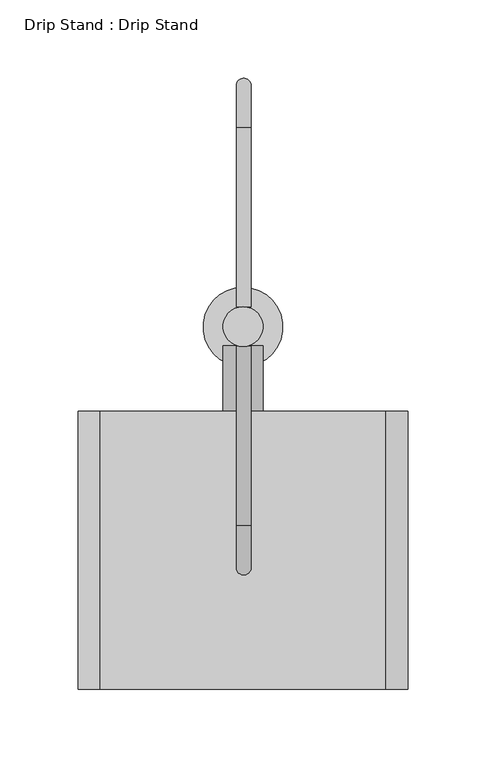
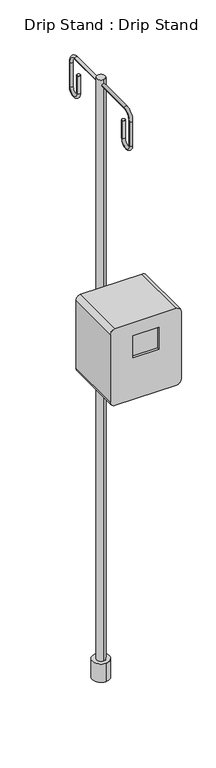
"""IFC4 building model written with IfcOpenShell, lengths in millimetres: proxy geometry, Drip Stand : Drip Stand."""

from ifc_helpers import new_model, si_unit, point, frame, frame_2d, origin, place, context, project, spatial, circle_curve, ellipse_curve, trimmed, segment, composite_curve, outline, extrude, source, transform, mapped, element, save
from ifc_brep_helpers import plane_surface, cylinder_surface, revolved_surface, advanced_brep


def drip_stand_drip_stand_bfd85133(model_context):
    return source(origin(), model_context, "Body", "SolidModel", [
        advanced_brep(
        [(-278.4127905, 321.6624414, 2014.5744227), (-287.8639451, 321.6624414, 2014.5744227), (-278.4127905, 435.9624414, 2014.5744227), (-287.8639451, 435.9624414, 2014.5744227), (-287.8639451, 462.9032098, 1987.6336543), (-278.4127905, 462.9032098, 1987.6336543), (-278.4127905, 462.9032098, 1911.4336543), (-287.8639451, 462.9032098, 1911.4336543), (-287.8639451, 424.8032098, 1911.4336543), (-278.4127905, 424.8032098, 1911.4336543), (-278.4127905, 424.8032098, 1968.5836543), (-287.8639451, 424.8032098, 1968.5836543)],
        [
            (0, 1, circle_curve(frame((-283.1383678, 321.6624414, 2014.5744227), z_axis=(0.0, -1.0, 0.0), x_axis=(-1.0, 0.0, 0.0)), 4.7255773)),
            (1, 0, circle_curve(frame((-283.1383678, 321.6624414, 2014.5744227), z_axis=(0.0, -1.0, 0.0), x_axis=(-1.0, 0.0, 0.0)), 4.7255773)),
            (0, 2),
            (2, 3, circle_curve(frame((-283.1383678, 435.9624414, 2014.5744227), z_axis=(0.0, -1.0, 0.0), x_axis=(-1.0, 0.0, 0.0)), 4.7255773)),
            (3, 1),
            (3, 2, circle_curve(frame((-283.1383678, 435.9624414, 2014.5744227), z_axis=(0.0, -1.0, 0.0), x_axis=(-1.0, 0.0, 0.0)), 4.7255773)),
            (4, 3, circle_curve(frame((-287.8639451, 435.9624414, 1987.6336543), z_axis=(1.0, 0.0, 0.0), x_axis=(0.0, 0.0, 1.0)), 26.9407684)),
            (2, 5, circle_curve(frame((-278.4127905, 435.9624414, 1987.6336543), z_axis=(-1.0, 0.0, 0.0), x_axis=(0.0, 0.0, 1.0)), 26.9407684)),
            (5, 4, circle_curve(frame((-283.1383678, 462.9032098, 1987.6336543), z_axis=(0.0, 0.0, 1.0), x_axis=(-1.0, 0.0, 0.0)), 4.7255773)),
            (4, 5, circle_curve(frame((-283.1383678, 462.9032098, 1987.6336543), z_axis=(0.0, 0.0, 1.0), x_axis=(-1.0, 0.0, 0.0)), 4.7255773)),
            (5, 6),
            (6, 7, circle_curve(frame((-283.1383678, 462.9032098, 1911.4336543), z_axis=(0.0, 0.0, 1.0), x_axis=(-1.0, 0.0, 0.0)), 4.7255773)),
            (7, 4),
            (7, 6, circle_curve(frame((-283.1383678, 462.9032098, 1911.4336543), z_axis=(0.0, 0.0, 1.0), x_axis=(-1.0, 0.0, 0.0)), 4.7255773)),
            (8, 7, circle_curve(frame((-287.8639451, 443.8532098, 1911.4336543), z_axis=(1.0, 0.0, 0.0), x_axis=(0.0, 1.0, 0.0)), 19.05)),
            (6, 9, circle_curve(frame((-278.4127905, 443.8532098, 1911.4336543), z_axis=(-1.0, 0.0, 0.0), x_axis=(0.0, 1.0, 0.0)), 19.05)),
            (9, 8, circle_curve(frame((-283.1383678, 424.8032098, 1911.4336543), z_axis=(0.0, 0.0, -1.0), x_axis=(-1.0, 0.0, 0.0)), 4.7255773)),
            (8, 9, circle_curve(frame((-283.1383678, 424.8032098, 1911.4336543), z_axis=(0.0, 0.0, -1.0), x_axis=(-1.0, 0.0, 0.0)), 4.7255773)),
            (10, 11, circle_curve(frame((-283.1383678, 424.8032098, 1968.5836543), z_axis=(0.0, 0.0, 1.0), x_axis=(-1.0, 0.0, 0.0)), 4.7255773)),
            (11, 10, circle_curve(frame((-283.1383678, 424.8032098, 1968.5836543), z_axis=(0.0, 0.0, 1.0), x_axis=(-1.0, 0.0, 0.0)), 4.7255773)),
            (9, 10),
            (11, 8),
        ],
        [
            plane_surface(frame((-283.1383678, 321.6624414, 2014.5744227), z_axis=(0.0, -1.0, 0.0), x_axis=(-1.0, 0.0, 0.0))),
            cylinder_surface(frame((-283.1383678, 321.6624414, 2014.5744227), z_axis=(0.0, -1.0, 0.0), x_axis=(-1.0, 0.0, 0.0)), 4.7255773),
            revolved_surface(trimmed(ellipse_curve(frame((-283.1383678, 435.9624414, 2014.5744227), z_axis=(0.0, -1.0, 0.0), x_axis=(-1.0, 0.0, 0.0)), 4.7255773, 4.7255773), [point((-278.4127905, 435.9624414, 2014.5744227))], [point((-287.8639451, 435.9624414, 2014.5744227))], True, "CARTESIAN"), (-283.1383678, 435.9624414, 1987.6336543), (-1.0, 0.0, 0.0)),
            revolved_surface(trimmed(ellipse_curve(frame((-283.1383678, 435.9624414, 2014.5744227), z_axis=(0.0, -1.0, 0.0), x_axis=(-1.0, 0.0, 0.0)), 4.7255773, 4.7255773), [point((-287.8639451, 435.9624414, 2014.5744227))], [point((-278.4127905, 435.9624414, 2014.5744227))], True, "CARTESIAN"), (-283.1383678, 435.9624414, 1987.6336543), (-1.0, 0.0, 0.0)),
            cylinder_surface(frame((-283.1383678, 462.9032098, 1987.6336543), z_axis=(0.0, 0.0, 1.0), x_axis=(-1.0, 0.0, 0.0)), 4.7255773),
            revolved_surface(trimmed(ellipse_curve(frame((-283.1383678, 462.9032098, 1911.4336543), z_axis=(0.0, 0.0, 1.0), x_axis=(-1.0, 0.0, 0.0)), 4.7255773, 4.7255773), [point((-278.4127905, 462.9032098, 1911.4336543))], [point((-287.8639451, 462.9032098, 1911.4336543))], True, "CARTESIAN"), (-283.1383678, 443.8532098, 1911.4336543), (-1.0, 0.0, 0.0)),
            revolved_surface(trimmed(ellipse_curve(frame((-283.1383678, 462.9032098, 1911.4336543), z_axis=(0.0, 0.0, 1.0), x_axis=(-1.0, 0.0, 0.0)), 4.7255773, 4.7255773), [point((-287.8639451, 462.9032098, 1911.4336543))], [point((-278.4127905, 462.9032098, 1911.4336543))], True, "CARTESIAN"), (-283.1383678, 443.8532098, 1911.4336543), (-1.0, 0.0, 0.0)),
            plane_surface(frame((-283.1383678, 424.8032098, 1968.5836543), z_axis=(0.0, 0.0, 1.0), x_axis=(-1.0, 0.0, 0.0))),
            cylinder_surface(frame((-283.1383678, 424.8032098, 1911.4336543), z_axis=(0.0, 0.0, -1.0), x_axis=(-1.0, 0.0, 0.0)), 4.7255773),
        ],
        [
            (0, [[1, 2]]),
            (1, [[-1, 3, 4, 5]]),
            (1, [[-2, -5, 6, -3]]),
            (2, [[7, -4, 8, 9]]),
            (3, [[-8, -6, -7, 10]]),
            (4, [[-9, 11, 12, 13]]),
            (4, [[-10, -13, 14, -11]]),
            (5, [[15, -12, 16, 17]]),
            (6, [[-16, -14, -15, 18]]),
            (7, [[19, 20]]),
            (8, [[-17, 21, -20, 22]]),
            (8, [[-18, -22, -19, -21]]),
        ],
    ),
        advanced_brep(
        [(-278.4127905, 296.2770999, 2014.5744227), (-287.8639451, 296.2770999, 2014.5744227), (-278.4127905, 181.9770999, 2014.5744227), (-287.8639451, 181.9770999, 2014.5744227), (-287.8639451, 155.0363315, 1987.6336543), (-278.4127905, 155.0363315, 1987.6336543), (-278.4127905, 155.0363315, 1911.4336543), (-287.8639451, 155.0363315, 1911.4336543), (-287.8639451, 193.1363315, 1911.4336543), (-278.4127905, 193.1363315, 1911.4336543), (-278.4127905, 193.1363315, 1968.5836543), (-287.8639451, 193.1363315, 1968.5836543)],
        [
            (0, 1, circle_curve(frame((-283.1383678, 296.2770999, 2014.5744227), z_axis=(0.0, 1.0, 0.0), x_axis=(-1.0, 0.0, 0.0)), 4.7255773)),
            (1, 0, circle_curve(frame((-283.1383678, 296.2770999, 2014.5744227), z_axis=(0.0, 1.0, 0.0), x_axis=(-1.0, 0.0, 0.0)), 4.7255773)),
            (0, 2),
            (2, 3, circle_curve(frame((-283.1383678, 181.9770999, 2014.5744227), z_axis=(0.0, 1.0, 0.0), x_axis=(-1.0, 0.0, 0.0)), 4.7255773)),
            (3, 1),
            (3, 2, circle_curve(frame((-283.1383678, 181.9770999, 2014.5744227), z_axis=(0.0, 1.0, 0.0), x_axis=(-1.0, 0.0, 0.0)), 4.7255773)),
            (4, 3, circle_curve(frame((-287.8639451, 181.9770999, 1987.6336543), z_axis=(-1.0, 0.0, 0.0), x_axis=(0.0, 0.0, 1.0)), 26.9407684)),
            (2, 5, circle_curve(frame((-278.4127905, 181.9770999, 1987.6336543), z_axis=(1.0, 0.0, 0.0), x_axis=(0.0, 0.0, 1.0)), 26.9407684)),
            (5, 4, circle_curve(frame((-283.1383678, 155.0363315, 1987.6336543), z_axis=(0.0, 0.0, 1.0), x_axis=(-1.0, 0.0, 0.0)), 4.7255773)),
            (4, 5, circle_curve(frame((-283.1383678, 155.0363315, 1987.6336543), z_axis=(0.0, 0.0, 1.0), x_axis=(-1.0, 0.0, 0.0)), 4.7255773)),
            (5, 6),
            (6, 7, circle_curve(frame((-283.1383678, 155.0363315, 1911.4336543), z_axis=(0.0, 0.0, 1.0), x_axis=(-1.0, 0.0, 0.0)), 4.7255773)),
            (7, 4),
            (7, 6, circle_curve(frame((-283.1383678, 155.0363315, 1911.4336543), z_axis=(0.0, 0.0, 1.0), x_axis=(-1.0, 0.0, 0.0)), 4.7255773)),
            (8, 7, circle_curve(frame((-287.8639451, 174.0863315, 1911.4336543), z_axis=(-1.0, 0.0, 0.0), x_axis=(0.0, -1.0, 0.0)), 19.05)),
            (6, 9, circle_curve(frame((-278.4127905, 174.0863315, 1911.4336543), z_axis=(1.0, 0.0, 0.0), x_axis=(0.0, -1.0, 0.0)), 19.05)),
            (9, 8, circle_curve(frame((-283.1383678, 193.1363315, 1911.4336543), z_axis=(0.0, 0.0, -1.0), x_axis=(-1.0, 0.0, 0.0)), 4.7255773)),
            (8, 9, circle_curve(frame((-283.1383678, 193.1363315, 1911.4336543), z_axis=(0.0, 0.0, -1.0), x_axis=(-1.0, 0.0, 0.0)), 4.7255773)),
            (10, 11, circle_curve(frame((-283.1383678, 193.1363315, 1968.5836543), z_axis=(0.0, 0.0, 1.0), x_axis=(-1.0, 0.0, 0.0)), 4.7255773)),
            (11, 10, circle_curve(frame((-283.1383678, 193.1363315, 1968.5836543), z_axis=(0.0, 0.0, 1.0), x_axis=(-1.0, 0.0, 0.0)), 4.7255773)),
            (9, 10),
            (11, 8),
        ],
        [
            plane_surface(frame((-283.1383678, 296.2770999, 2014.5744227), z_axis=(0.0, 1.0, 0.0), x_axis=(-1.0, 0.0, 0.0))),
            cylinder_surface(frame((-283.1383678, 296.2770999, 2014.5744227), z_axis=(0.0, 1.0, 0.0), x_axis=(-1.0, 0.0, 0.0)), 4.7255773),
            revolved_surface(trimmed(ellipse_curve(frame((-283.1383678, 181.9770999, 2014.5744227), z_axis=(0.0, 1.0, 0.0), x_axis=(-1.0, 0.0, 0.0)), 4.7255773, 4.7255773), [point((-278.4127905, 181.9770999, 2014.5744227))], [point((-287.8639451, 181.9770999, 2014.5744227))], True, "CARTESIAN"), (-283.1383678, 181.9770999, 1987.6336543), (1.0, 0.0, 0.0)),
            revolved_surface(trimmed(ellipse_curve(frame((-283.1383678, 181.9770999, 2014.5744227), z_axis=(0.0, 1.0, 0.0), x_axis=(-1.0, 0.0, 0.0)), 4.7255773, 4.7255773), [point((-287.8639451, 181.9770999, 2014.5744227))], [point((-278.4127905, 181.9770999, 2014.5744227))], True, "CARTESIAN"), (-283.1383678, 181.9770999, 1987.6336543), (1.0, 0.0, 0.0)),
            cylinder_surface(frame((-283.1383678, 155.0363315, 1987.6336543), z_axis=(0.0, 0.0, 1.0), x_axis=(-1.0, 0.0, 0.0)), 4.7255773),
            revolved_surface(trimmed(ellipse_curve(frame((-283.1383678, 155.0363315, 1911.4336543), z_axis=(0.0, 0.0, 1.0), x_axis=(-1.0, 0.0, 0.0)), 4.7255773, 4.7255773), [point((-278.4127905, 155.0363315, 1911.4336543))], [point((-287.8639451, 155.0363315, 1911.4336543))], True, "CARTESIAN"), (-283.1383678, 174.0863315, 1911.4336543), (1.0, 0.0, 0.0)),
            revolved_surface(trimmed(ellipse_curve(frame((-283.1383678, 155.0363315, 1911.4336543), z_axis=(0.0, 0.0, 1.0), x_axis=(-1.0, 0.0, 0.0)), 4.7255773, 4.7255773), [point((-287.8639451, 155.0363315, 1911.4336543))], [point((-278.4127905, 155.0363315, 1911.4336543))], True, "CARTESIAN"), (-283.1383678, 174.0863315, 1911.4336543), (1.0, 0.0, 0.0)),
            plane_surface(frame((-283.1383678, 193.1363315, 1968.5836543), z_axis=(0.0, 0.0, 1.0), x_axis=(-1.0, 0.0, 0.0))),
            cylinder_surface(frame((-283.1383678, 193.1363315, 1911.4336543), z_axis=(0.0, 0.0, -1.0), x_axis=(-1.0, 0.0, 0.0)), 4.7255773),
        ],
        [
            (0, [[1, 2]]),
            (1, [[-1, 3, 4, 5]]),
            (1, [[-2, -5, 6, -3]]),
            (2, [[7, -4, 8, 9]]),
            (3, [[-8, -6, -7, 10]]),
            (4, [[-9, 11, 12, 13]]),
            (4, [[-10, -13, 14, -11]]),
            (5, [[15, -12, 16, 17]]),
            (6, [[-16, -14, -15, 18]]),
            (7, [[19, 20]]),
            (8, [[-17, 21, -20, 22]]),
            (8, [[-18, -22, -19, -21]]),
        ],
    ),
        advanced_brep(
        [(-375.0097707, 77.255142, 1172.4264444), (-192.1297707, 77.255142, 1172.4264444), (-178.1597707, 77.255142, 1186.3964444), (-178.1597707, 77.255142, 1399.7564444), (-192.1297707, 77.255142, 1413.7264444), (-375.0097707, 77.255142, 1413.7264444), (-388.9797707, 77.255142, 1399.7564444), (-388.9797707, 77.255142, 1186.3964444), (-322.0168405, 77.255142, 1303.9718488), (-322.0168405, 77.255142, 1372.9087212), (-245.1227008, 77.255142, 1372.9087212), (-245.1227008, 77.255142, 1303.9718488), (-375.0097707, 255.055142, 1172.4264444), (-388.9797707, 255.055142, 1186.3964444), (-388.9797707, 255.055142, 1399.7564444), (-375.0097707, 255.055142, 1413.7264444), (-192.1297707, 255.055142, 1413.7264444), (-178.1597707, 255.055142, 1399.7564444), (-178.1597707, 255.055142, 1186.3964444), (-192.1297707, 255.055142, 1172.4264444), (-322.0168405, 83.605142, 1303.9718488), (-245.1227008, 83.605142, 1303.9718488), (-245.1227008, 83.605142, 1372.9087212), (-322.0168405, 83.605142, 1372.9087212)],
        [
            (0, 1),
            (1, 2, circle_curve(frame((-192.1297707, 77.255142, 1186.3964444), z_axis=(0.0, -1.0, 0.0), x_axis=(-1.0, 0.0, 0.0)), 13.97)),
            (2, 3),
            (3, 4, circle_curve(frame((-192.1297707, 77.255142, 1399.7564444), z_axis=(0.0, -1.0, 0.0), x_axis=(-1.0, 0.0, 0.0)), 13.97)),
            (4, 5),
            (5, 6, circle_curve(frame((-375.0097707, 77.255142, 1399.7564444), z_axis=(0.0, -1.0, 0.0), x_axis=(1.0, 0.0, 0.0)), 13.97)),
            (6, 7),
            (7, 0, circle_curve(frame((-375.0097707, 77.255142, 1186.3964444), z_axis=(0.0, -1.0, 0.0), x_axis=(1.0, 0.0, 0.0)), 13.97)),
            (8, 9),
            (9, 10),
            (10, 11),
            (11, 8),
            (12, 13, circle_curve(frame((-375.0097707, 255.055142, 1186.3964444), z_axis=(0.0, 1.0, 0.0), x_axis=(1.0, 0.0, 0.0)), 13.97)),
            (13, 14),
            (14, 15, circle_curve(frame((-375.0097707, 255.055142, 1399.7564444), z_axis=(0.0, 1.0, 0.0), x_axis=(1.0, 0.0, 0.0)), 13.97)),
            (15, 16),
            (16, 17, circle_curve(frame((-192.1297707, 255.055142, 1399.7564444), z_axis=(0.0, 1.0, 0.0), x_axis=(-1.0, 0.0, 0.0)), 13.97)),
            (17, 18),
            (18, 19, circle_curve(frame((-192.1297707, 255.055142, 1186.3964444), z_axis=(0.0, 1.0, 0.0), x_axis=(-1.0, 0.0, 0.0)), 13.97)),
            (19, 12),
            (0, 12),
            (19, 1),
            (18, 2),
            (17, 3),
            (16, 4),
            (15, 5),
            (14, 6),
            (13, 7),
            (20, 21),
            (21, 22),
            (22, 23),
            (23, 20),
            (23, 9),
            (8, 20),
            (22, 10),
            (21, 11),
        ],
        [
            plane_surface(frame((-178.1597707, 77.255142, 1172.4264444), z_axis=(0.0, -1.0, 0.0), x_axis=(1.0, 0.0, 0.0))),
            plane_surface(frame((-178.1597707, 255.055142, 1172.4264444), z_axis=(0.0, 1.0, 0.0), x_axis=(-1.0, 0.0, 0.0))),
            plane_surface(frame((-375.0097707, 77.255142, 1172.4264444), z_axis=(0.0, 0.0, -1.0), x_axis=(0.0, 1.0, 0.0))),
            cylinder_surface(frame((-192.1297707, 255.055142, 1186.3964444), z_axis=(0.0, -1.0, 0.0), x_axis=(-1.0, 0.0, 0.0)), 13.97),
            plane_surface(frame((-178.1597707, 77.255142, 1186.3964444), z_axis=(1.0, 0.0, 0.0), x_axis=(0.0, 1.0, 0.0))),
            cylinder_surface(frame((-192.1297707, 255.055142, 1399.7564444), z_axis=(0.0, -1.0, 0.0), x_axis=(-1.0, 0.0, 0.0)), 13.97),
            plane_surface(frame((-192.1297707, 77.255142, 1413.7264444), z_axis=(0.0, 0.0, 1.0), x_axis=(0.0, 1.0, 0.0))),
            cylinder_surface(frame((-375.0097707, 255.055142, 1399.7564444), z_axis=(0.0, -1.0, 0.0), x_axis=(1.0, 0.0, 0.0)), 13.97),
            plane_surface(frame((-388.9797707, 77.255142, 1399.7564444), z_axis=(-1.0, 0.0, 0.0), x_axis=(0.0, 1.0, 0.0))),
            cylinder_surface(frame((-375.0097707, 255.055142, 1186.3964444), z_axis=(0.0, -1.0, 0.0), x_axis=(1.0, 0.0, 0.0)), 13.97),
            plane_surface(frame((-322.0168405, 83.605142, 1372.9087212), z_axis=(0.0, -1.0, 0.0), x_axis=(0.0, 0.0, 1.0))),
            plane_surface(frame((-322.0168405, 83.605142, 1303.9718488), z_axis=(1.0, 0.0, 0.0), x_axis=(0.0, -1.0, 0.0))),
            plane_surface(frame((-322.0168405, 83.605142, 1372.9087212), z_axis=(0.0, 0.0, -1.0), x_axis=(0.0, -1.0, 0.0))),
            plane_surface(frame((-245.1227008, 83.605142, 1372.9087212), z_axis=(-1.0, 0.0, 0.0), x_axis=(0.0, -1.0, 0.0))),
            plane_surface(frame((-245.1227008, 83.605142, 1303.9718488), z_axis=(0.0, 0.0, 1.0), x_axis=(0.0, -1.0, 0.0))),
        ],
        [
            (0, [[1, 2, 3, 4, 5, 6, 7, 8], [9, 10, 11, 12]]),
            (1, [[13, 14, 15, 16, 17, 18, 19, 20]]),
            (2, [[-1, 21, -20, 22]]),
            (3, [[-2, -22, -19, 23]]),
            (4, [[-3, -23, -18, 24]]),
            (5, [[-4, -24, -17, 25]]),
            (6, [[-5, -25, -16, 26]]),
            (7, [[-6, -26, -15, 27]]),
            (8, [[-7, -27, -14, 28]]),
            (9, [[-8, -28, -13, -21]]),
            (10, [[29, 30, 31, 32]]),
            (11, [[-32, 33, -9, 34]]),
            (12, [[-31, 35, -10, -33]]),
            (13, [[-30, 36, -11, -35]]),
            (14, [[-29, -34, -12, -36]]),
        ],
    ),
        extrude(outline(composite_curve([segment(trimmed(circle_curve(frame_2d((1320.8, -283.5697707)), 12.7), [point((1320.8, -270.8697707))], [point((1320.8, -296.2697707))], False, "CARTESIAN"), True, "CONTINUOUS"), segment(trimmed(circle_curve(frame_2d((1320.8, -283.5697707)), 12.7), [point((1320.8, -296.2697707))], [point((1320.8, -270.8697707))], False, "CARTESIAN"), True, "CONTINUOUS")], self_intersect=False)), frame((0.0, 255.055142, 0.0), z_axis=(0.0, 1.0, 0.0), x_axis=(0.0, 0.0, 1.0)), (0.0, 0.0, 1.0), 41.76098),
        extrude(outline(composite_curve([segment(trimmed(circle_curve(frame_2d((-283.5697707, 308.9697707)), 12.7), [point((-283.5697707, 296.2697707))], [point((-283.5697707, 321.6697707))], False, "CARTESIAN"), True, "CONTINUOUS"), segment(trimmed(circle_curve(frame_2d((-283.5697707, 308.9697707)), 12.7), [point((-283.5697707, 321.6697707))], [point((-283.5697707, 296.2697707))], False, "CARTESIAN"), True, "CONTINUOUS")], self_intersect=False)), frame((0.0, 0.0, 158.75), z_axis=(0.0, 0.0, 1.0), x_axis=(1.0, 0.0, 0.0)), (0.0, 0.0, 1.0), 1873.25),
        extrude(outline(composite_curve([segment(trimmed(circle_curve(frame_2d((-283.5697707, 308.9697707)), 25.4), [point((-283.5697707, 283.5697707))], [point((-283.5697707, 334.3697707))], False, "CARTESIAN"), True, "CONTINUOUS"), segment(trimmed(circle_curve(frame_2d((-283.5697707, 308.9697707)), 25.4), [point((-283.5697707, 334.3697707))], [point((-283.5697707, 283.5697707))], False, "CARTESIAN"), True, "CONTINUOUS")], self_intersect=False)), frame((0.0, 0.0, 146.6), z_axis=(0.0, 0.0, 1.0), x_axis=(1.0, 0.0, 0.0)), (0.0, 0.0, 1.0), 57.15),
    ])


if __name__ == "__main__":
    model = new_model("IFC4")
    model_context = context("Model", 3, world=origin())
    ifc_project = project(units=[si_unit("LENGTHUNIT", "METRE", prefix="MILLI")], contexts=[model_context])
    site = spatial("IfcSite", under=ifc_project)
    building = spatial("IfcBuilding", under=site)
    placement = place(None, origin())
    drip_stand_drip_stand_shape = drip_stand_drip_stand_bfd85133(model_context)
    element("IfcBuildingElementProxy", 1, Name="Drip Stand : Drip Stand", ObjectType="Drip Stand : Drip Stand", at=placement, inside=building, context=model_context, shape_type="MappedRepresentation", body=[
        mapped(drip_stand_drip_stand_shape, transform((0.0, 0.0, 0.0), x_axis=(1.0, 0.0, 0.0), y_axis=(0.0, 1.0, 0.0), z_axis=(0.0, 0.0, 1.0))),
    ])
    save(model, "model.ifc")
